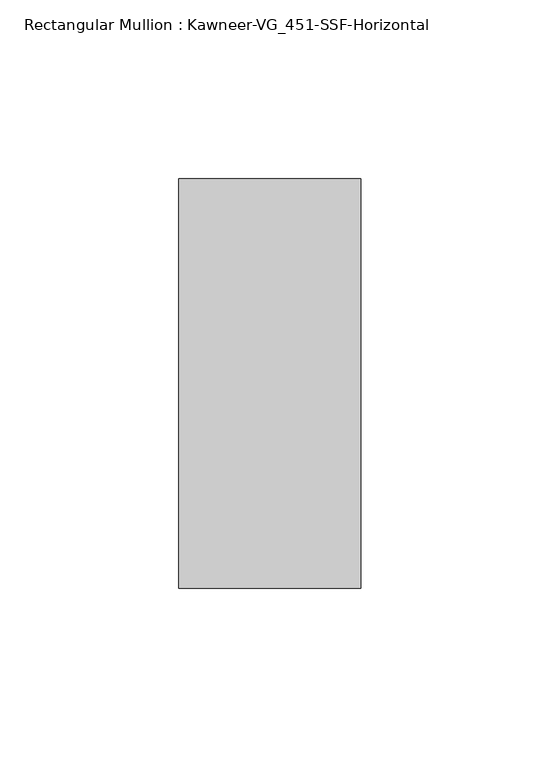
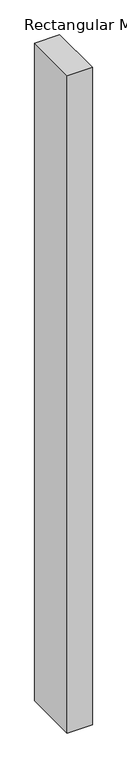
"""IFC4 building model written with IfcOpenShell, lengths in millimetres: member geometry, Rectangular Mullion : Kawneer-VG_451-SSF-Horizontal."""

import ifcopenshell
import ifcopenshell.guid

model = None  # the IFC model being written
_history = None  # IfcOwnerHistory: only IFC2X3 demands one
_inside = {}  # id of a spatial element -> (the spatial element, [elements in it])
_under = {}  # id of a project, library or spatial element -> (it, [spatial elements below it])
_declared = {}  # id of a project -> (the project, [libraries it declares])
_typed = {}  # id of a type object -> (the type object, [elements of that type])
_made_of = {}  # id of a material, layer set ... -> (it, [elements and type objects made of it])


def new_model(schema):
    """Start an empty IFC model of exactly this schema.

    Asked for "IFC4X3", IfcOpenShell would pick the latest addendum, in which some entities
    have other attributes; the version numbers below select the first issue.
    IFC2X3 requires an IfcOwnerHistory on every rooted entity: one is made here for all.
    """
    global model, _history
    if schema == "IFC4X3":
        model = ifcopenshell.file(schema_version=(4, 3, 0, 0))
    else:
        model = ifcopenshell.file(schema=schema)
    _inside.clear()
    _under.clear()
    _declared.clear()
    _typed.clear()
    _made_of.clear()
    _history = None
    if model.schema == "IFC2X3":
        org = make("IfcOrganization", Name="unknown")
        user = make(
            "IfcPersonAndOrganization",
            ThePerson=make("IfcPerson", FamilyName="unknown"),
            TheOrganization=org,
        )
        app = make(
            "IfcApplication",
            ApplicationDeveloper=org,
            Version="unknown",
            ApplicationFullName="unknown",
            ApplicationIdentifier="unknown",
        )
        _history = make(
            "IfcOwnerHistory",
            OwningUser=user,
            OwningApplication=app,
            ChangeAction="ADDED",
            CreationDate=0,
        )
    return model


def make(cls, **values):
    """One entity of the class cls with the attributes given. An attribute that is None is left unset."""
    return model.create_entity(
        cls, **{name: value for name, value in values.items() if value is not None}
    )


def rooted(cls, **values):
    """An entity with a GlobalId (a new one), such as an element, a storey or a relation."""
    return make(cls, GlobalId=ifcopenshell.guid.new(), OwnerHistory=_history, **values)


def si_unit(unit_type, name, prefix=None):
    """IfcSIUnit, for example si_unit("LENGTHUNIT", "METRE", prefix="MILLI")."""
    return make("IfcSIUnit", UnitType=unit_type, Prefix=prefix, Name=name)


def assignment(units):
    """IfcUnitAssignment: the units of a project."""
    return None if units is None else make("IfcUnitAssignment", Units=units)


def point(xyz):
    """IfcCartesianPoint."""
    return None if xyz is None else make("IfcCartesianPoint", Coordinates=xyz)


def direction(xyz):
    """IfcDirection."""
    return None if xyz is None else make("IfcDirection", DirectionRatios=xyz)


def frame(location, z_axis=None, x_axis=None):
    """IfcAxis2Placement3D, a coordinate frame: its origin and axes. An axis left out is left unset."""
    return make(
        "IfcAxis2Placement3D",
        Location=point(location),
        Axis=direction(z_axis),
        RefDirection=direction(x_axis),
    )


def origin():
    """The frame at (0, 0, 0) with its axes left unset."""
    return frame((0.0, 0.0, 0.0))


def place(relative_to, where):
    """IfcLocalPlacement: puts the frame where relative to a parent placement (None: the world)."""
    return make(
        "IfcLocalPlacement", PlacementRelTo=relative_to, RelativePlacement=where
    )


def context(
    kind, dimensions, precision=None, world=None, true_north=None, identifier=None
):
    """IfcGeometricRepresentationContext, for example the 3D "Model" context."""
    return make(
        "IfcGeometricRepresentationContext",
        ContextIdentifier=identifier,
        ContextType=kind,
        CoordinateSpaceDimension=dimensions,
        Precision=precision,
        WorldCoordinateSystem=world,
        TrueNorth=true_north,
    )


def project(units=None, contexts=None):
    """IfcProject with its units and contexts."""
    return rooted(
        "IfcProject",
        Name="project",
        RepresentationContexts=contexts,
        UnitsInContext=assignment(units),
    )


def spatial(cls, under=None, at=None, **own):
    """A site, building, storey or space (cls), placed at a placement, below another one or the project."""
    s = rooted(cls, ObjectPlacement=at, **own)
    if under is not None:
        _under.setdefault(under.id(), (under, []))[1].append(s)
    return s


def polyline(points):
    """IfcPolyline through the points."""
    return make("IfcPolyline", Points=[point(p) for p in points])


def outline(outer, holes=None, kind="AREA"):
    """IfcArbitraryClosedProfileDef: a profile drawn as a closed curve; with holes, ...WithVoids."""
    if holes is None:
        return make("IfcArbitraryClosedProfileDef", ProfileType=kind, OuterCurve=outer)
    return make(
        "IfcArbitraryProfileDefWithVoids",
        ProfileType=kind,
        OuterCurve=outer,
        InnerCurves=holes,
    )


def extrude(swept, where, along, depth):
    """IfcExtrudedAreaSolid: the profile swept, set in the frame where, extruded along a direction by depth."""
    return make(
        "IfcExtrudedAreaSolid",
        SweptArea=swept,
        Position=where,
        ExtrudedDirection=direction(along),
        Depth=depth,
    )


def shape(context_of_items, identifier, shape_type, items):
    """IfcShapeRepresentation: the items that make up one representation, for example the "Body"."""
    return make(
        "IfcShapeRepresentation",
        ContextOfItems=context_of_items,
        RepresentationIdentifier=identifier,
        RepresentationType=shape_type,
        Items=items,
    )


def source(mapping_origin, context_of_items, identifier, shape_type, items):
    """IfcRepresentationMap: a shape defined once, which mapped items show again and again."""
    return make(
        "IfcRepresentationMap",
        MappingOrigin=mapping_origin,
        MappedRepresentation=shape(context_of_items, identifier, shape_type, items),
    )


def transform(
    local_origin,
    x_axis=None,
    y_axis=None,
    z_axis=None,
    scale=None,
    scale2=None,
    scale3=None,
    uniform=True,
):
    """IfcCartesianTransformationOperator3D, or its non-uniform kind. x_axis, y_axis, z_axis: its Axis1, 2, 3."""
    if uniform:
        return make(
            "IfcCartesianTransformationOperator3D",
            Axis1=direction(x_axis),
            Axis2=direction(y_axis),
            LocalOrigin=point(local_origin),
            Scale=scale,
            Axis3=direction(z_axis),
        )
    return make(
        "IfcCartesianTransformationOperator3DnonUniform",
        Axis1=direction(x_axis),
        Axis2=direction(y_axis),
        LocalOrigin=point(local_origin),
        Scale=scale,
        Axis3=direction(z_axis),
        Scale2=scale2,
        Scale3=scale3,
    )


def mapped(mapping_source, mapping_target):
    """IfcMappedItem: shows the shape of a source again, moved by a transform."""
    return make(
        "IfcMappedItem", MappingSource=mapping_source, MappingTarget=mapping_target
    )


def made_of(thing, what):
    """Note that an element or type object is made of a material, layer set ...; save() writes the relation."""
    if what is not None:
        _made_of.setdefault(what.id(), (what, []))[1].append(thing)
    return thing


def element(
    cls,
    number,
    at=None,
    inside=None,
    cuts=None,
    type_object=None,
    material=None,
    context=None,
    identifier="Body",
    shape_type=None,
    held_by="IfcProductDefinitionShape",
    body=None,
    shapes=None,
    **own,
):
    """One element of the class cls, such as IfcWall. Its Tag is "e" and its number.

    at: its placement. inside: the storey or other place that contains it. cuts: it is an
    opening in that element (IfcRelVoidsElement). A single representation is given by context,
    identifier, shape_type and body (its items); several are given by shapes. held_by: the class
    of the entity that holds the representations. save() writes the other relations.
    """
    e = rooted(cls, Tag="e%d" % number, ObjectPlacement=at, **own)
    if body is not None:
        shapes = [shape(context, identifier, shape_type, body)]
    if shapes is not None:
        e.Representation = make(held_by, Representations=shapes)
    if inside is not None:
        _inside.setdefault(inside.id(), (inside, []))[1].append(e)
    if cuts is not None:
        rooted(
            "IfcRelVoidsElement", RelatingBuildingElement=cuts, RelatedOpeningElement=e
        )
    if type_object is not None:
        _typed.setdefault(type_object.id(), (type_object, []))[1].append(e)
    return made_of(e, material)


def aggregate(whole, parts):
    """IfcRelAggregates: a whole, such as a stair, and the parts it consists of."""
    return rooted("IfcRelAggregates", RelatingObject=whole, RelatedObjects=parts)


def save(model, path):
    """Write the relations noted so far, then the file.

    IfcRelAggregates (storeys below a building ...), IfcRelContainedInSpatialStructure (elements
    in a storey), IfcRelDefinesByType, IfcRelAssociatesMaterial and IfcRelDeclares: one each for
    every whole, place, type object, material and project.
    """
    for whole, parts in _under.values():
        aggregate(whole, parts)
    for where, things in _inside.values():
        rooted(
            "IfcRelContainedInSpatialStructure",
            RelatedElements=things,
            RelatingStructure=where,
        )
    for kind, things in _typed.values():
        rooted("IfcRelDefinesByType", RelatedObjects=things, RelatingType=kind)
    for what, things in _made_of.values():
        rooted("IfcRelAssociatesMaterial", RelatedObjects=things, RelatingMaterial=what)
    for by, libraries in _declared.values():
        rooted("IfcRelDeclares", RelatingContext=by, RelatedDefinitions=libraries)
    model.write(path)


def rectangular_mullion_kawneer_vg_451_ssf_horizontal_c1d5c783(model_context):
    return source(origin(), model_context, "Body", "SweptSolid", [
        extrude(outline(polyline([(25.4, 57.15), (25.4, -57.15), (-25.4, -57.15), (-25.4, 57.15), (25.4, 57.15)])), frame((0.0, 0.0, -1409.7), z_axis=(0.0, 0.0, 1.0), x_axis=(1.0, 0.0, 0.0)), (0.0, 0.0, 1.0), 1409.7),
    ])


if __name__ == "__main__":
    model = new_model("IFC4")
    model_context = context("Model", 3, world=origin())
    ifc_project = project(units=[si_unit("LENGTHUNIT", "METRE", prefix="MILLI")], contexts=[model_context])
    site = spatial("IfcSite", under=ifc_project)
    building = spatial("IfcBuilding", under=site)
    placement = place(None, origin())
    rectangular_mullion_kawneer_vg_451_ssf_horizontal_shape = rectangular_mullion_kawneer_vg_451_ssf_horizontal_c1d5c783(model_context)
    element("IfcMember", 1, ObjectType="Rectangular Mullion : Kawneer-VG_451-SSF-Horizontal", at=placement, inside=building, context=model_context, shape_type="MappedRepresentation", body=[
        mapped(rectangular_mullion_kawneer_vg_451_ssf_horizontal_shape, transform((0.0, 0.0, 0.0), x_axis=(1.0, 0.0, 0.0), y_axis=(0.0, 1.0, 0.0), z_axis=(0.0, 0.0, 1.0))),
    ])
    save(model, "model.ifc")
